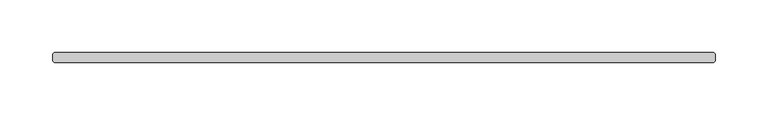
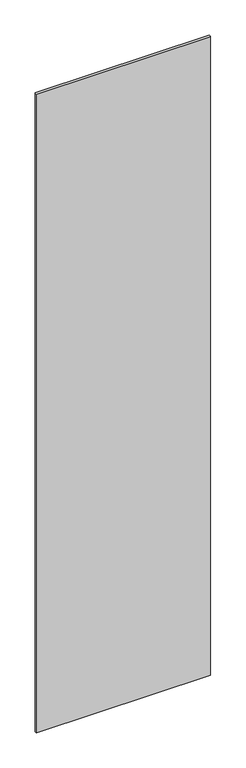
"""IFC4 building model written with IfcOpenShell, lengths in millimetres: plate geometry."""

from ifc_helpers import new_model, si_unit, origin, origin_with_axes, place, context, project, spatial, polyline, outline, extrude, source, transform, mapped, element, save


def plate_b0331eb4(model_context):
    return source(origin(), model_context, "Body", "SweptSolid", [
        extrude(outline(polyline([(312.340625, -4.7625), (-312.340625, -4.7625), (-313.928125, -3.175), (-313.928125, 3.175), (-312.340625, 4.7625), (312.340625, 4.7625), (313.928125, 3.175), (313.928125, -3.175), (312.340625, -4.7625)])), origin_with_axes(), (0.0, 0.0, 1.0), 2427.1914267),
    ])


if __name__ == "__main__":
    model = new_model("IFC4")
    model_context = context("Model", 3, world=origin())
    ifc_project = project(units=[si_unit("LENGTHUNIT", "METRE", prefix="MILLI")], contexts=[model_context])
    site = spatial("IfcSite", under=ifc_project)
    building = spatial("IfcBuilding", under=site)
    placement = place(None, origin())
    plate_shape = plate_b0331eb4(model_context)
    element("IfcPlate", 1, at=placement, inside=building, context=model_context, shape_type="MappedRepresentation", body=[
        mapped(plate_shape, transform((0.0, 0.0, 0.0), x_axis=(1.0, 0.0, 0.0), y_axis=(0.0, 1.0, 0.0), z_axis=(0.0, 0.0, 1.0))),
    ])
    save(model, "model.ifc")
